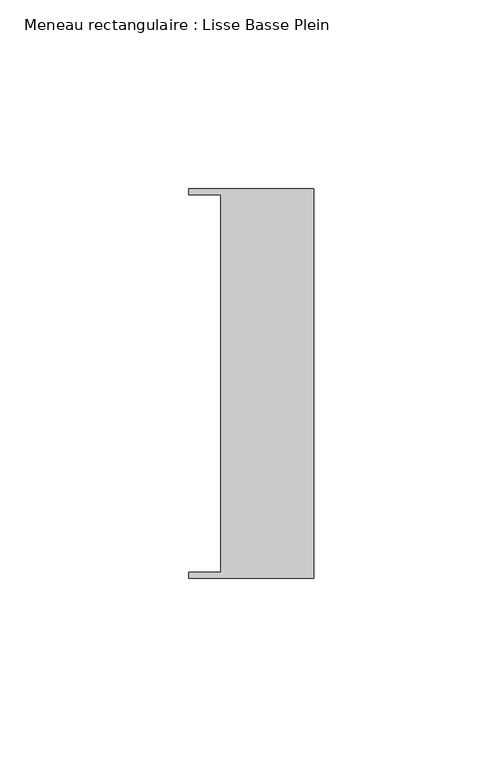
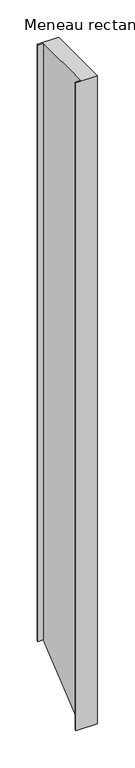
"""IFC4 building model written with IfcOpenShell, lengths in millimetres: member geometry, Meneau rectangulaire : Lisse Basse Plein."""

from ifc_helpers import new_model, si_unit, origin, place, context, project, spatial, faceted_brep, source, transform, mapped, element, save


def meneau_rectangulaire_lisse_basse_plein_f9498613(model_context):
    return source(origin(), model_context, "Body", "Brep", [
        faceted_brep([(0.0, -51.5026203, 0.0), (0.0, 51.5026203, 0.0), (-33.0710396, 51.5026203, 0.0), (-33.0710396, 49.9505686, 0.0), (-24.7130865, 49.9505686, 0.0), (-24.7130865, -49.9505686, 0.0), (-33.0710396, -49.9505686, 0.0), (-33.0710396, -51.5026203, 0.0), (0.0, -51.5026203, -1057.6094448), (0.0, 51.5026203, -972.698477), (-33.0710396, 51.5026203, -972.698477), (-33.0710396, 49.9505686, -973.9778897), (-24.7130865, 49.9505686, -973.9778897), (-24.7130865, -49.9505686, -1056.3300321), (-33.0710396, -49.9505686, -1056.3300321), (-33.0710396, -51.5026203, -1057.6094448)], [[[0, 1, 2, 3, 4, 5, 6, 7]], [[1, 0, 8, 9]], [[2, 1, 9, 10]], [[3, 2, 10, 11]], [[4, 3, 11, 12]], [[5, 4, 12, 13]], [[6, 5, 13, 14]], [[7, 6, 14, 15]], [[0, 7, 15, 8]], [[8, 15, 14, 13, 12, 11, 10, 9]]]),
    ])


if __name__ == "__main__":
    model = new_model("IFC4")
    model_context = context("Model", 3, world=origin())
    ifc_project = project(units=[si_unit("LENGTHUNIT", "METRE", prefix="MILLI")], contexts=[model_context])
    site = spatial("IfcSite", under=ifc_project)
    building = spatial("IfcBuilding", under=site)
    placement = place(None, origin())
    meneau_rectangulaire_lisse_basse_plein_shape = meneau_rectangulaire_lisse_basse_plein_f9498613(model_context)
    element("IfcMember", 1, ObjectType="Meneau rectangulaire : Lisse Basse Plein", at=placement, inside=building, context=model_context, shape_type="MappedRepresentation", body=[
        mapped(meneau_rectangulaire_lisse_basse_plein_shape, transform((0.0, 0.0, 0.0), x_axis=(1.0, 0.0, 0.0), y_axis=(0.0, 1.0, 0.0), z_axis=(0.0, 0.0, 1.0))),
    ])
    save(model, "model.ifc")
